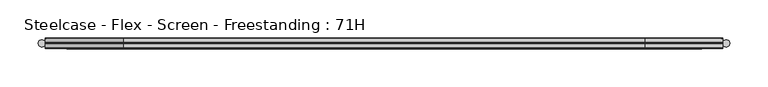
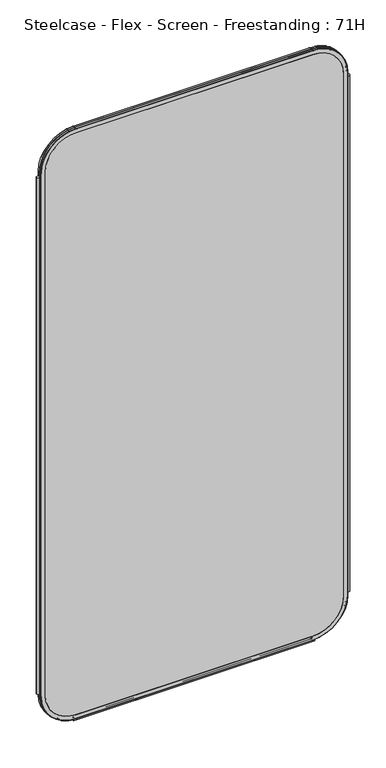
"""IFC4 building model written with IfcOpenShell, lengths in millimetres: furniture geometry, Steelcase - Flex - Screen - Freestanding : 71H."""

from ifc_helpers import new_model, si_unit, point, frame, frame_2d, origin, place, context, project, spatial, polyline, circle_curve, ellipse_curve, trimmed, segment, composite_curve, outline, extrude, source, transform, mapped, element, save
from ifc_brep_helpers import plane_surface, cylinder_surface, revolved_surface, advanced_brep


def steelcase_flex_screen_freestanding_71h_63d7caac(model_context):
    return source(origin(), model_context, "Body", "SolidModel", [
        extrude(outline(composite_curve([segment(trimmed(circle_curve(frame_2d((4.5307839, 0.0)), 4.572), [point((-0.0412161, 0.0))], [point((9.1027839, 0.0))], False, "CARTESIAN"), True, "CONTINUOUS"), segment(trimmed(circle_curve(frame_2d((4.5307839, 0.0)), 4.572), [point((9.1027839, 0.0))], [point((-0.0412161, 0.0))], False, "CARTESIAN"), True, "CONTINUOUS")], self_intersect=False)), frame((0.0, 0.0, 115.57), z_axis=(0.0, 0.0, 1.0), x_axis=(1.0, 0.0, 0.0)), (0.0, 0.0, 1.0), 1572.26),
        extrude(outline(composite_curve([segment(trimmed(circle_curve(frame_2d((898.7749587, 0.0)), 4.572), [point((894.2029587, 0.0))], [point((903.3469587, 0.0))], False, "CARTESIAN"), True, "CONTINUOUS"), segment(trimmed(circle_curve(frame_2d((898.7749587, 0.0)), 4.572), [point((903.3469587, 0.0))], [point((894.2029587, 0.0))], False, "CARTESIAN"), True, "CONTINUOUS")], self_intersect=False)), frame((0.0, 0.0, 115.57), z_axis=(0.0, 0.0, 1.0), x_axis=(1.0, 0.0, 0.0)), (0.0, 0.0, 1.0), 1572.26),
        extrude(outline(composite_curve([segment(trimmed(circle_curve(frame_2d((3.5, 2.4751953)), 2.5), [point((3.5, 4.9751953))], [point((1.4656663, 1.0220998))], False, "CARTESIAN"), True, "CONTINUOUS"), segment(trimmed(circle_curve(frame_2d((0.0, -0.0248047)), 1.8011626), [point((1.4656663, 1.0220998))], [point((-1.4656663, 1.0220998))], True, "CARTESIAN"), True, "CONTINUOUS"), segment(trimmed(circle_curve(frame_2d((-3.5, 2.4751953)), 2.5), [point((-1.4656663, 1.0220998))], [point((-3.5, 4.9751953))], False, "CARTESIAN"), True, "CONTINUOUS"), segment(trimmed(circle_curve(frame_2d((-3.5, 4.4751953)), 0.5), [point((-3.5, 4.9751953))], [point((-3.5, 3.9751953))], False, "CARTESIAN"), True, "CONTINUOUS"), segment(trimmed(circle_curve(frame_2d((-3.5, 2.4751953)), 1.5), [point((-3.5, 3.9751953))], [point((-2.3025096, 1.5718589))], True, "CARTESIAN"), True, "CONTINUOUS"), segment(trimmed(circle_curve(frame_2d((-10.3325937, 7.629417)), 10.0586411), [point((-2.3025096, 1.5718589))], [point((-0.714976, 4.6836248))], True, "CARTESIAN"), True, "CONTINUOUS"), segment(trimmed(circle_curve(frame_2d((0.0, 4.4646339)), 0.7477618), [point((-0.714976, 4.6836248))], [point((0.714976, 4.6836248))], False, "CARTESIAN"), True, "CONTINUOUS"), segment(trimmed(circle_curve(frame_2d((10.3325937, 7.629417)), 10.0586411), [point((0.714976, 4.6836248))], [point((2.3025096, 1.5718589))], True, "CARTESIAN"), True, "CONTINUOUS"), segment(trimmed(circle_curve(frame_2d((3.5, 2.4751953)), 1.5), [point((2.3025096, 1.5718589))], [point((3.5, 3.9751953))], True, "CARTESIAN"), True, "CONTINUOUS"), segment(trimmed(circle_curve(frame_2d((3.5, 4.4751953)), 0.5), [point((3.5, 3.9751953))], [point((3.5, 4.9751953))], False, "CARTESIAN"), True, "CONTINUOUS")], self_intersect=False)), frame((104.1640108, 0.0, 0.0), z_axis=(1.0, 0.0, 0.0), x_axis=(0.0, 1.0, 0.0)), (0.0, 0.0, 1.0), 694.9777209),
        advanced_brep(
        [(9.9273521, 0.0, 1701.8), (9.9273521, 0.0, 106.5996464), (110.7653521, 0.0, 5.7616464), (792.5652086, 0.0, 5.7616464), (893.4032086, 0.0, 106.5996464), (893.4032086, 0.0, 1701.8), (792.5652086, 0.0, 1802.638), (110.7653521, 0.0, 1802.638), (792.5652086, 0.0, 17.6996464), (110.7653521, 0.0, 17.6996464), (21.8653521, 0.0, 106.5996464), (21.8653521, 0.0, 1701.8), (110.7653521, 0.0, 1790.7), (792.5652086, 0.0, 1790.7), (881.4652086, 0.0, 1701.8), (881.4652086, 0.0, 106.5996464), (110.7653521, 0.762, 1803.4), (9.1653521, 0.762, 1701.8), (110.7653521, 6.096, 1803.4), (9.1653521, 6.096, 1701.8), (110.7653521, 6.858, 1802.638), (9.9273521, 6.858, 1701.8), (21.8653521, 6.858, 1701.8), (110.7653521, 6.858, 1790.7), (792.5652086, 0.762, 1803.4), (792.5652086, 6.096, 1803.4), (792.5652086, 6.858, 1802.638), (792.5652086, 6.858, 1790.7), (894.1652086, 0.762, 1701.8), (894.1652086, 6.096, 1701.8), (893.4032086, 6.858, 1701.8), (881.4652086, 6.858, 1701.8), (894.1652086, 0.762, 106.5996464), (894.1652086, 6.096, 106.5996464), (893.4032086, 6.858, 106.5996464), (881.4652086, 6.858, 106.5996464), (792.5652086, 0.762, 4.9996464), (792.5652086, 6.096, 4.9996464), (792.5652086, 6.858, 5.7616464), (792.5652086, 6.858, 17.6996464), (110.7653521, 0.762, 4.9996464), (110.7653521, 6.096, 4.9996464), (110.7653521, 6.858, 5.7616464), (110.7653521, 6.858, 17.6996464), (9.1653521, 0.762, 106.5996464), (9.1653521, 6.096, 106.5996464), (9.9273521, 6.858, 106.5996464), (21.8653521, 6.858, 106.5996464)],
        [
            (0, 1),
            (1, 2, circle_curve(frame((110.7653521, 0.0, 106.5996464), z_axis=(0.0, -1.0, 0.0), x_axis=(0.0, 0.0, -1.0)), 100.838)),
            (2, 3),
            (3, 4, circle_curve(frame((792.5652086, 0.0, 106.5996464), z_axis=(0.0, -1.0, 0.0), x_axis=(1.0, 0.0, 0.0)), 100.838)),
            (4, 5),
            (5, 6, circle_curve(frame((792.5652086, 0.0, 1701.8), z_axis=(0.0, -1.0, 0.0), x_axis=(0.0, 0.0, 1.0)), 100.838)),
            (6, 7),
            (7, 0, circle_curve(frame((110.7653521, 0.0, 1701.8), z_axis=(0.0, -1.0, 0.0), x_axis=(-1.0, 0.0, 0.0)), 100.838)),
            (8, 9),
            (9, 10, circle_curve(frame((110.7653521, 0.0, 106.5996464), z_axis=(0.0, 1.0, 0.0), x_axis=(0.0, 0.0, -1.0)), 88.9)),
            (10, 11),
            (11, 12, circle_curve(frame((110.7653521, 0.0, 1701.8), z_axis=(0.0, 1.0, 0.0), x_axis=(-1.0, 0.0, 0.0)), 88.9)),
            (12, 13),
            (13, 14, circle_curve(frame((792.5652086, 0.0, 1701.8), z_axis=(0.0, 1.0, 0.0), x_axis=(0.0, 0.0, 1.0)), 88.9)),
            (14, 15),
            (15, 8, circle_curve(frame((792.5652086, 0.0, 106.5996464), z_axis=(0.0, 1.0, 0.0), x_axis=(1.0, 0.0, 0.0)), 88.9)),
            (16, 17, circle_curve(frame((110.7653521, 0.762, 1701.8), z_axis=(0.0, -1.0, 0.0), x_axis=(-1.0, 0.0, 0.0)), 101.6)),
            (17, 0, circle_curve(frame((9.9273521, 0.762, 1701.8), z_axis=(0.0, 0.0, 1.0), x_axis=(-1.0, 0.0, 0.0)), 0.762)),
            (7, 16, circle_curve(frame((110.7653521, 0.762, 1802.638), z_axis=(-1.0, 0.0, 0.0), x_axis=(0.0, 0.0, 1.0)), 0.762)),
            (18, 19, circle_curve(frame((110.7653521, 6.096, 1701.8), z_axis=(0.0, -1.0, 0.0), x_axis=(-1.0, 0.0, 0.0)), 101.6)),
            (19, 17),
            (16, 18),
            (20, 21, circle_curve(frame((110.7653521, 6.858, 1701.8), z_axis=(0.0, -1.0, 0.0), x_axis=(-1.0, 0.0, 0.0)), 100.838)),
            (21, 19, circle_curve(frame((9.9273521, 6.096, 1701.8), z_axis=(0.0, 0.0, 1.0), x_axis=(-1.0, 0.0, 0.0)), 0.762)),
            (18, 20, circle_curve(frame((110.7653521, 6.096, 1802.638), z_axis=(-1.0, 0.0, 0.0), x_axis=(0.0, 0.0, 1.0)), 0.762)),
            (11, 22),
            (22, 23, circle_curve(frame((110.7653521, 6.858, 1701.8), z_axis=(0.0, 1.0, 0.0), x_axis=(-1.0, 0.0, 0.0)), 88.9)),
            (23, 12),
            (6, 24, circle_curve(frame((792.5652086, 0.762, 1802.638), z_axis=(-1.0, 0.0, 0.0), x_axis=(0.0, 0.0, 1.0)), 0.762)),
            (24, 16),
            (24, 25),
            (25, 18),
            (25, 26, circle_curve(frame((792.5652086, 6.096, 1802.638), z_axis=(-1.0, 0.0, 0.0), x_axis=(0.0, 0.0, 1.0)), 0.762)),
            (26, 20),
            (23, 27),
            (27, 13),
            (28, 24, circle_curve(frame((792.5652086, 0.762, 1701.8), z_axis=(0.0, -1.0, 0.0), x_axis=(0.0, 0.0, 1.0)), 101.6)),
            (5, 28, circle_curve(frame((893.4032086, 0.762, 1701.8), z_axis=(0.0, 0.0, 1.0), x_axis=(1.0, 0.0, 0.0)), 0.762)),
            (29, 25, circle_curve(frame((792.5652086, 6.096, 1701.8), z_axis=(0.0, -1.0, 0.0), x_axis=(0.0, 0.0, 1.0)), 101.6)),
            (28, 29),
            (30, 26, circle_curve(frame((792.5652086, 6.858, 1701.8), z_axis=(0.0, -1.0, 0.0), x_axis=(0.0, 0.0, 1.0)), 100.838)),
            (29, 30, circle_curve(frame((893.4032086, 6.096, 1701.8), z_axis=(0.0, 0.0, 1.0), x_axis=(1.0, 0.0, 0.0)), 0.762)),
            (27, 31, circle_curve(frame((792.5652086, 6.858, 1701.8), z_axis=(0.0, 1.0, 0.0), x_axis=(0.0, 0.0, 1.0)), 88.9)),
            (31, 14),
            (4, 32, circle_curve(frame((893.4032086, 0.762, 106.5996464), z_axis=(0.0, 0.0, 1.0), x_axis=(1.0, 0.0, 0.0)), 0.762)),
            (32, 28),
            (32, 33),
            (33, 29),
            (33, 34, circle_curve(frame((893.4032086, 6.096, 106.5996464), z_axis=(0.0, 0.0, 1.0), x_axis=(1.0, 0.0, 0.0)), 0.762)),
            (34, 30),
            (31, 35),
            (35, 15),
            (36, 32, circle_curve(frame((792.5652086, 0.762, 106.5996464), z_axis=(0.0, -1.0, 0.0), x_axis=(1.0, 0.0, 0.0)), 101.6)),
            (3, 36, circle_curve(frame((792.5652086, 0.762, 5.7616464), z_axis=(1.0, 0.0, 0.0), x_axis=(0.0, 0.0, -1.0)), 0.762)),
            (37, 33, circle_curve(frame((792.5652086, 6.096, 106.5996464), z_axis=(0.0, -1.0, 0.0), x_axis=(1.0, 0.0, 0.0)), 101.6)),
            (36, 37),
            (38, 34, circle_curve(frame((792.5652086, 6.858, 106.5996464), z_axis=(0.0, -1.0, 0.0), x_axis=(1.0, 0.0, 0.0)), 100.838)),
            (37, 38, circle_curve(frame((792.5652086, 6.096, 5.7616464), z_axis=(1.0, 0.0, 0.0), x_axis=(0.0, 0.0, -1.0)), 0.762)),
            (35, 39, circle_curve(frame((792.5652086, 6.858, 106.5996464), z_axis=(0.0, 1.0, 0.0), x_axis=(1.0, 0.0, 0.0)), 88.9)),
            (39, 8),
            (2, 40, circle_curve(frame((110.7653521, 0.762, 5.7616464), z_axis=(1.0, 0.0, 0.0), x_axis=(0.0, 0.0, -1.0)), 0.762)),
            (40, 36),
            (40, 41),
            (41, 37),
            (41, 42, circle_curve(frame((110.7653521, 6.096, 5.7616464), z_axis=(1.0, 0.0, 0.0), x_axis=(0.0, 0.0, -1.0)), 0.762)),
            (42, 38),
            (39, 43),
            (43, 9),
            (44, 40, circle_curve(frame((110.7653521, 0.762, 106.5996464), z_axis=(0.0, -1.0, 0.0), x_axis=(0.0, 0.0, -1.0)), 101.6)),
            (1, 44, circle_curve(frame((9.9273521, 0.762, 106.5996464), z_axis=(0.0, 0.0, -1.0), x_axis=(-1.0, 0.0, 0.0)), 0.762)),
            (45, 41, circle_curve(frame((110.7653521, 6.096, 106.5996464), z_axis=(0.0, -1.0, 0.0), x_axis=(0.0, 0.0, -1.0)), 101.6)),
            (44, 45),
            (46, 42, circle_curve(frame((110.7653521, 6.858, 106.5996464), z_axis=(0.0, -1.0, 0.0), x_axis=(0.0, 0.0, -1.0)), 100.838)),
            (45, 46, circle_curve(frame((9.9273521, 6.096, 106.5996464), z_axis=(0.0, 0.0, -1.0), x_axis=(-1.0, 0.0, 0.0)), 0.762)),
            (43, 47, circle_curve(frame((110.7653521, 6.858, 106.5996464), z_axis=(0.0, 1.0, 0.0), x_axis=(0.0, 0.0, -1.0)), 88.9)),
            (47, 10),
            (17, 44),
            (19, 45),
            (21, 46),
            (22, 47),
        ],
        [
            plane_surface(frame((21.8653521, 0.0, 106.5996464), z_axis=(0.0, -1.0, 0.0), x_axis=(0.0, 0.0, 1.0))),
            revolved_surface(trimmed(ellipse_curve(frame((9.9273521, 0.762, 1701.8), z_axis=(0.0, 0.0, -1.0), x_axis=(-1.0, 0.0, 0.0)), 0.762, 0.762), [point((9.9273521, 0.0, 1701.8))], [point((9.1653521, 0.762, 1701.8))], True, "CARTESIAN"), (110.7653521, 0.0, 1701.8), (0.0, 1.0, 0.0)),
            cylinder_surface(frame((110.7653521, 0.0, 1701.8), z_axis=(0.0, 1.0, 0.0), x_axis=(-1.0, 0.0, 0.0)), 101.6),
            revolved_surface(trimmed(ellipse_curve(frame((9.9273521, 6.096, 1701.8), z_axis=(0.0, 0.0, -1.0), x_axis=(-1.0, 0.0, 0.0)), 0.762, 0.762), [point((9.1653521, 6.096, 1701.8))], [point((9.9273521, 6.858, 1701.8))], True, "CARTESIAN"), (110.7653521, 0.0, 1701.8), (0.0, 1.0, 0.0)),
            revolved_surface(polyline([(21.865352099999996, 6.858, 1701.8), (21.865352099999996, 0.0, 1701.8)]), (110.7653521, 0.0, 1701.8), (0.0, 1.0, 0.0)),
            cylinder_surface(frame((110.7653521, 0.762, 1802.638), z_axis=(-1.0, 0.0, 0.0), x_axis=(0.0, 0.0, 1.0)), 0.762),
            plane_surface(frame((110.7653521, 0.762, 1803.4), z_axis=(0.0, 0.0, 1.0), x_axis=(1.0, 0.0, 0.0))),
            cylinder_surface(frame((110.7653521, 6.096, 1802.638), z_axis=(-1.0, 0.0, 0.0), x_axis=(0.0, 0.0, 1.0)), 0.762),
            plane_surface(frame((110.7653521, 6.858, 1790.7), z_axis=(0.0, 0.0, -1.0), x_axis=(1.0, 0.0, 0.0))),
            revolved_surface(trimmed(ellipse_curve(frame((792.5652086, 0.762, 1802.638), z_axis=(-1.0, 0.0, 0.0), x_axis=(0.0, 0.0, 1.0)), 0.762, 0.762), [point((792.5652086, 0.0, 1802.638))], [point((792.5652086, 0.762, 1803.4))], True, "CARTESIAN"), (792.5652086, 0.0, 1701.8), (0.0, 1.0, 0.0)),
            cylinder_surface(frame((792.5652086, 0.0, 1701.8), z_axis=(0.0, 1.0, 0.0), x_axis=(0.0, 0.0, 1.0)), 101.6),
            revolved_surface(trimmed(ellipse_curve(frame((792.5652086, 6.096, 1802.638), z_axis=(-1.0, 0.0, 0.0), x_axis=(0.0, 0.0, 1.0)), 0.762, 0.762), [point((792.5652086, 6.096, 1803.4))], [point((792.5652086, 6.858, 1802.638))], True, "CARTESIAN"), (792.5652086, 0.0, 1701.8), (0.0, 1.0, 0.0)),
            revolved_surface(polyline([(792.5652086, 6.858, 1790.7), (792.5652086, 0.0, 1790.7)]), (792.5652086, 0.0, 1701.8), (0.0, 1.0, 0.0)),
            cylinder_surface(frame((893.4032086, 0.762, 1701.8), z_axis=(0.0, 0.0, 1.0), x_axis=(1.0, 0.0, 0.0)), 0.762),
            plane_surface(frame((894.1652086, 0.762, 1701.8), z_axis=(1.0, 0.0, 0.0), x_axis=(0.0, 0.0, -1.0))),
            cylinder_surface(frame((893.4032086, 6.096, 1701.8), z_axis=(0.0, 0.0, 1.0), x_axis=(1.0, 0.0, 0.0)), 0.762),
            plane_surface(frame((881.4652086, 6.858, 1701.8), z_axis=(-1.0, 0.0, 0.0), x_axis=(0.0, 0.0, -1.0))),
            revolved_surface(trimmed(ellipse_curve(frame((893.4032086, 0.762, 106.5996464), z_axis=(0.0, 0.0, 1.0), x_axis=(1.0, 0.0, 0.0)), 0.762, 0.762), [point((893.4032086, 0.0, 106.5996464))], [point((894.1652086, 0.762, 106.5996464))], True, "CARTESIAN"), (792.5652086, 0.0, 106.5996464), (0.0, 1.0, 0.0)),
            cylinder_surface(frame((792.5652086, 0.0, 106.5996464), z_axis=(0.0, 1.0, 0.0), x_axis=(1.0, 0.0, 0.0)), 101.6),
            revolved_surface(trimmed(ellipse_curve(frame((893.4032086, 6.096, 106.5996464), z_axis=(0.0, 0.0, 1.0), x_axis=(1.0, 0.0, 0.0)), 0.762, 0.762), [point((894.1652086, 6.096, 106.5996464))], [point((893.4032086, 6.858, 106.5996464))], True, "CARTESIAN"), (792.5652086, 0.0, 106.5996464), (0.0, 1.0, 0.0)),
            revolved_surface(polyline([(881.4652086, 6.858, 106.5996464), (881.4652086, 0.0, 106.5996464)]), (792.5652086, 0.0, 106.5996464), (0.0, 1.0, 0.0)),
            cylinder_surface(frame((792.5652086, 0.762, 5.7616464), z_axis=(1.0, 0.0, 0.0), x_axis=(0.0, 0.0, -1.0)), 0.762),
            plane_surface(frame((792.5652086, 0.762, 4.9996464), z_axis=(0.0, 0.0, -1.0), x_axis=(-1.0, 0.0, 0.0))),
            cylinder_surface(frame((792.5652086, 6.096, 5.7616464), z_axis=(1.0, 0.0, 0.0), x_axis=(0.0, 0.0, -1.0)), 0.762),
            plane_surface(frame((792.5652086, 6.858, 17.6996464), z_axis=(0.0, 0.0, 1.0), x_axis=(-1.0, 0.0, 0.0))),
            revolved_surface(trimmed(ellipse_curve(frame((110.7653521, 0.762, 5.7616464), z_axis=(1.0, 0.0, 0.0), x_axis=(0.0, 0.0, -1.0)), 0.762, 0.762), [point((110.7653521, 0.0, 5.7616464))], [point((110.7653521, 0.762, 4.9996464))], True, "CARTESIAN"), (110.7653521, 0.0, 106.5996464), (0.0, 1.0, 0.0)),
            cylinder_surface(frame((110.7653521, 0.0, 106.5996464), z_axis=(0.0, 1.0, 0.0), x_axis=(0.0, 0.0, -1.0)), 101.6),
            revolved_surface(trimmed(ellipse_curve(frame((110.7653521, 6.096, 5.7616464), z_axis=(1.0, 0.0, 0.0), x_axis=(0.0, 0.0, -1.0)), 0.762, 0.762), [point((110.7653521, 6.096, 4.9996464))], [point((110.7653521, 6.858, 5.7616464))], True, "CARTESIAN"), (110.7653521, 0.0, 106.5996464), (0.0, 1.0, 0.0)),
            revolved_surface(polyline([(110.7653521, 6.858, 17.699646399999992), (110.7653521, 0.0, 17.699646399999992)]), (110.7653521, 0.0, 106.5996464), (0.0, 1.0, 0.0)),
            cylinder_surface(frame((9.9273521, 0.762, 106.5996464), z_axis=(0.0, 0.0, -1.0), x_axis=(-1.0, 0.0, 0.0)), 0.762),
            plane_surface(frame((9.1653521, 0.762, 106.5996464), z_axis=(-1.0, 0.0, 0.0), x_axis=(0.0, 0.0, 1.0))),
            cylinder_surface(frame((9.9273521, 6.096, 106.5996464), z_axis=(0.0, 0.0, -1.0), x_axis=(-1.0, 0.0, 0.0)), 0.762),
            plane_surface(frame((9.9273521, 6.858, 106.5996464), z_axis=(0.0, 1.0, 0.0), x_axis=(0.0, 0.0, 1.0))),
            plane_surface(frame((21.8653521, 6.858, 106.5996464), z_axis=(1.0, 0.0, 0.0), x_axis=(0.0, 0.0, 1.0))),
        ],
        [
            (0, [[1, 2, 3, 4, 5, 6, 7, 8], [9, 10, 11, 12, 13, 14, 15, 16]]),
            (1, [[17, 18, -8, 19]]),
            (2, [[20, 21, -17, 22]]),
            (3, [[23, 24, -20, 25]]),
            (4, [[-12, 26, 27, 28]]),
            (5, [[-19, -7, 29, 30]]),
            (6, [[-22, -30, 31, 32]]),
            (7, [[-25, -32, 33, 34]]),
            (8, [[-28, 35, 36, -13]]),
            (9, [[37, -29, -6, 38]]),
            (10, [[39, -31, -37, 40]]),
            (11, [[41, -33, -39, 42]]),
            (12, [[-14, -36, 43, 44]]),
            (13, [[-38, -5, 45, 46]]),
            (14, [[-40, -46, 47, 48]]),
            (15, [[-42, -48, 49, 50]]),
            (16, [[-44, 51, 52, -15]]),
            (17, [[53, -45, -4, 54]]),
            (18, [[55, -47, -53, 56]]),
            (19, [[57, -49, -55, 58]]),
            (20, [[-16, -52, 59, 60]]),
            (21, [[-54, -3, 61, 62]]),
            (22, [[-56, -62, 63, 64]]),
            (23, [[-58, -64, 65, 66]]),
            (24, [[-60, 67, 68, -9]]),
            (25, [[69, -61, -2, 70]]),
            (26, [[71, -63, -69, 72]]),
            (27, [[73, -65, -71, 74]]),
            (28, [[-10, -68, 75, 76]]),
            (29, [[-70, -1, -18, 77]]),
            (30, [[-72, -77, -21, 78]]),
            (31, [[-74, -78, -24, 79]]),
            (32, [[-66, -73, -79, -23, -34, -41, -50, -57], [80, -75, -67, -59, -51, -43, -35, -27]]),
            (33, [[-76, -80, -26, -11]]),
        ],
    ),
        extrude(outline(composite_curve([segment(polyline([(1790.7, 792.5652086), (1790.7, 110.7653521)]), True, "CONTINUOUS"), segment(trimmed(circle_curve(frame_2d((1701.8, 110.7653521)), 88.9), [point((1790.7, 110.7653521))], [point((1701.8, 21.8653521))], False, "CARTESIAN"), True, "CONTINUOUS"), segment(polyline([(1701.8, 21.8653521), (106.5996464, 21.8653521)]), True, "CONTINUOUS"), segment(trimmed(circle_curve(frame_2d((106.5996464, 110.7653521)), 88.9), [point((106.5996464, 21.8653521))], [point((17.6996464, 110.7653521))], False, "CARTESIAN"), True, "CONTINUOUS"), segment(polyline([(17.6996464, 110.7653521), (17.6996464, 792.5652086)]), True, "CONTINUOUS"), segment(trimmed(circle_curve(frame_2d((106.5996464, 792.5652086)), 88.9), [point((17.6996464, 792.5652086))], [point((106.5996464, 881.4652086))], False, "CARTESIAN"), True, "CONTINUOUS"), segment(polyline([(106.5996464, 881.4652086), (1701.8, 881.4652086)]), True, "CONTINUOUS"), segment(trimmed(circle_curve(frame_2d((1701.8, 792.5652086)), 88.9), [point((1701.8, 881.4652086))], [point((1790.7, 792.5652086))], False, "CARTESIAN"), True, "CONTINUOUS")], self_intersect=False)), frame((0.0, 0.0, 0.0), z_axis=(0.0, 1.0, 0.0), x_axis=(0.0, 0.0, 1.0)), (0.0, 0.0, 1.0), 6.858),
        advanced_brep(
        [(110.7653521, -6.858, 1790.7), (21.8653521, -6.858, 1701.8), (21.8653521, 0.0, 1701.8), (110.7653521, 0.0, 1790.7), (110.7653521, -6.096, 1803.4), (9.1653521, -6.096, 1701.8), (9.9273521, -6.858, 1701.8), (110.7653521, -6.858, 1802.638), (110.7653521, -0.762, 1803.4), (9.1653521, -0.762, 1701.8), (110.7653521, 0.0, 1802.638), (9.9273521, 0.0, 1701.8), (792.5652086, 0.0, 1790.7), (792.5652086, -6.858, 1790.7), (792.5652086, -6.858, 1802.638), (792.5652086, -6.096, 1803.4), (792.5652086, -0.762, 1803.4), (792.5652086, 0.0, 1802.638), (881.4652086, -6.858, 1701.8), (881.4652086, 0.0, 1701.8), (894.1652086, -6.096, 1701.8), (893.4032086, -6.858, 1701.8), (894.1652086, -0.762, 1701.8), (893.4032086, 0.0, 1701.8), (881.4652086, 0.0, 106.5996464), (881.4652086, -6.858, 106.5996464), (893.4032086, -6.858, 106.5996464), (894.1652086, -6.096, 106.5996464), (894.1652086, -0.762, 106.5996464), (893.4032086, 0.0, 106.5996464), (792.5652086, -6.858, 17.6996464), (792.5652086, 0.0, 17.6996464), (792.5652086, -6.096, 4.9996464), (792.5652086, -6.858, 5.7616464), (792.5652086, -0.762, 4.9996464), (792.5652086, 0.0, 5.7616464), (110.7653521, 0.0, 17.6996464), (110.7653521, -6.858, 17.6996464), (110.7653521, -6.858, 5.7616464), (110.7653521, -6.096, 4.9996464), (110.7653521, -0.762, 4.9996464), (110.7653521, 0.0, 5.7616464), (21.8653521, -6.858, 106.5996464), (21.8653521, 0.0, 106.5996464), (9.1653521, -6.096, 106.5996464), (9.9273521, -6.858, 106.5996464), (9.1653521, -0.762, 106.5996464), (9.9273521, 0.0, 106.5996464)],
        [
            (0, 1, circle_curve(frame((110.7653521, -6.858, 1701.8), z_axis=(0.0, -1.0, 0.0), x_axis=(-1.0, 0.0, 0.0)), 88.9)),
            (1, 2),
            (2, 3, circle_curve(frame((110.7653521, 0.0, 1701.8), z_axis=(0.0, 1.0, 0.0), x_axis=(-1.0, 0.0, 0.0)), 88.9)),
            (3, 0),
            (4, 5, circle_curve(frame((110.7653521, -6.096, 1701.8), z_axis=(0.0, -1.0, 0.0), x_axis=(-1.0, 0.0, 0.0)), 101.6)),
            (5, 6, circle_curve(frame((9.9273521, -6.096, 1701.8), z_axis=(0.0, 0.0, 1.0), x_axis=(-1.0, 0.0, 0.0)), 0.762)),
            (6, 7, circle_curve(frame((110.7653521, -6.858, 1701.8), z_axis=(0.0, 1.0, 0.0), x_axis=(-1.0, 0.0, 0.0)), 100.838)),
            (7, 4, circle_curve(frame((110.7653521, -6.096, 1802.638), z_axis=(-1.0, 0.0, 0.0), x_axis=(0.0, 0.0, 1.0)), 0.762)),
            (8, 9, circle_curve(frame((110.7653521, -0.762, 1701.8), z_axis=(0.0, -1.0, 0.0), x_axis=(-1.0, 0.0, 0.0)), 101.6)),
            (9, 5),
            (4, 8),
            (10, 11, circle_curve(frame((110.7653521, 0.0, 1701.8), z_axis=(0.0, -1.0, 0.0), x_axis=(-1.0, 0.0, 0.0)), 100.838)),
            (11, 9, circle_curve(frame((9.9273521, -0.762, 1701.8), z_axis=(0.0, 0.0, 1.0), x_axis=(-1.0, 0.0, 0.0)), 0.762)),
            (8, 10, circle_curve(frame((110.7653521, -0.762, 1802.638), z_axis=(-1.0, 0.0, 0.0), x_axis=(0.0, 0.0, 1.0)), 0.762)),
            (3, 12),
            (12, 13),
            (13, 0),
            (7, 14),
            (14, 15, circle_curve(frame((792.5652086, -6.096, 1802.638), z_axis=(-1.0, 0.0, 0.0), x_axis=(0.0, 0.0, 1.0)), 0.762)),
            (15, 4),
            (15, 16),
            (16, 8),
            (16, 17, circle_curve(frame((792.5652086, -0.762, 1802.638), z_axis=(-1.0, 0.0, 0.0), x_axis=(0.0, 0.0, 1.0)), 0.762)),
            (17, 10),
            (18, 13, circle_curve(frame((792.5652086, -6.858, 1701.8), z_axis=(0.0, -1.0, 0.0), x_axis=(0.0, 0.0, 1.0)), 88.9)),
            (12, 19, circle_curve(frame((792.5652086, 0.0, 1701.8), z_axis=(0.0, 1.0, 0.0), x_axis=(0.0, 0.0, 1.0)), 88.9)),
            (19, 18),
            (20, 15, circle_curve(frame((792.5652086, -6.096, 1701.8), z_axis=(0.0, -1.0, 0.0), x_axis=(0.0, 0.0, 1.0)), 101.6)),
            (14, 21, circle_curve(frame((792.5652086, -6.858, 1701.8), z_axis=(0.0, 1.0, 0.0), x_axis=(0.0, 0.0, 1.0)), 100.838)),
            (21, 20, circle_curve(frame((893.4032086, -6.096, 1701.8), z_axis=(0.0, 0.0, 1.0), x_axis=(1.0, 0.0, 0.0)), 0.762)),
            (22, 16, circle_curve(frame((792.5652086, -0.762, 1701.8), z_axis=(0.0, -1.0, 0.0), x_axis=(0.0, 0.0, 1.0)), 101.6)),
            (20, 22),
            (23, 17, circle_curve(frame((792.5652086, 0.0, 1701.8), z_axis=(0.0, -1.0, 0.0), x_axis=(0.0, 0.0, 1.0)), 100.838)),
            (22, 23, circle_curve(frame((893.4032086, -0.762, 1701.8), z_axis=(0.0, 0.0, 1.0), x_axis=(1.0, 0.0, 0.0)), 0.762)),
            (19, 24),
            (24, 25),
            (25, 18),
            (21, 26),
            (26, 27, circle_curve(frame((893.4032086, -6.096, 106.5996464), z_axis=(0.0, 0.0, 1.0), x_axis=(1.0, 0.0, 0.0)), 0.762)),
            (27, 20),
            (27, 28),
            (28, 22),
            (28, 29, circle_curve(frame((893.4032086, -0.762, 106.5996464), z_axis=(0.0, 0.0, 1.0), x_axis=(1.0, 0.0, 0.0)), 0.762)),
            (29, 23),
            (30, 25, circle_curve(frame((792.5652086, -6.858, 106.5996464), z_axis=(0.0, -1.0, 0.0), x_axis=(1.0, 0.0, 0.0)), 88.9)),
            (24, 31, circle_curve(frame((792.5652086, 0.0, 106.5996464), z_axis=(0.0, 1.0, 0.0), x_axis=(1.0, 0.0, 0.0)), 88.9)),
            (31, 30),
            (32, 27, circle_curve(frame((792.5652086, -6.096, 106.5996464), z_axis=(0.0, -1.0, 0.0), x_axis=(1.0, 0.0, 0.0)), 101.6)),
            (26, 33, circle_curve(frame((792.5652086, -6.858, 106.5996464), z_axis=(0.0, 1.0, 0.0), x_axis=(1.0, 0.0, 0.0)), 100.838)),
            (33, 32, circle_curve(frame((792.5652086, -6.096, 5.7616464), z_axis=(1.0, 0.0, 0.0), x_axis=(0.0, 0.0, -1.0)), 0.762)),
            (34, 28, circle_curve(frame((792.5652086, -0.762, 106.5996464), z_axis=(0.0, -1.0, 0.0), x_axis=(1.0, 0.0, 0.0)), 101.6)),
            (32, 34),
            (35, 29, circle_curve(frame((792.5652086, 0.0, 106.5996464), z_axis=(0.0, -1.0, 0.0), x_axis=(1.0, 0.0, 0.0)), 100.838)),
            (34, 35, circle_curve(frame((792.5652086, -0.762, 5.7616464), z_axis=(1.0, 0.0, 0.0), x_axis=(0.0, 0.0, -1.0)), 0.762)),
            (31, 36),
            (36, 37),
            (37, 30),
            (33, 38),
            (38, 39, circle_curve(frame((110.7653521, -6.096, 5.7616464), z_axis=(1.0, 0.0, 0.0), x_axis=(0.0, 0.0, -1.0)), 0.762)),
            (39, 32),
            (39, 40),
            (40, 34),
            (40, 41, circle_curve(frame((110.7653521, -0.762, 5.7616464), z_axis=(1.0, 0.0, 0.0), x_axis=(0.0, 0.0, -1.0)), 0.762)),
            (41, 35),
            (42, 37, circle_curve(frame((110.7653521, -6.858, 106.5996464), z_axis=(0.0, -1.0, 0.0), x_axis=(0.0, 0.0, -1.0)), 88.9)),
            (36, 43, circle_curve(frame((110.7653521, 0.0, 106.5996464), z_axis=(0.0, 1.0, 0.0), x_axis=(0.0, 0.0, -1.0)), 88.9)),
            (43, 42),
            (44, 39, circle_curve(frame((110.7653521, -6.096, 106.5996464), z_axis=(0.0, -1.0, 0.0), x_axis=(0.0, 0.0, -1.0)), 101.6)),
            (38, 45, circle_curve(frame((110.7653521, -6.858, 106.5996464), z_axis=(0.0, 1.0, 0.0), x_axis=(0.0, 0.0, -1.0)), 100.838)),
            (45, 44, circle_curve(frame((9.9273521, -6.096, 106.5996464), z_axis=(0.0, 0.0, -1.0), x_axis=(-1.0, 0.0, 0.0)), 0.762)),
            (46, 40, circle_curve(frame((110.7653521, -0.762, 106.5996464), z_axis=(0.0, -1.0, 0.0), x_axis=(0.0, 0.0, -1.0)), 101.6)),
            (44, 46),
            (47, 41, circle_curve(frame((110.7653521, 0.0, 106.5996464), z_axis=(0.0, -1.0, 0.0), x_axis=(0.0, 0.0, -1.0)), 100.838)),
            (46, 47, circle_curve(frame((9.9273521, -0.762, 106.5996464), z_axis=(0.0, 0.0, -1.0), x_axis=(-1.0, 0.0, 0.0)), 0.762)),
            (43, 2),
            (1, 42),
            (6, 45),
            (5, 44),
            (9, 46),
            (11, 47),
        ],
        [
            revolved_surface(polyline([(21.865352099999996, 0.0, 1701.8), (21.865352099999996, -6.858, 1701.8)]), (110.7653521, 0.0, 1701.8), (0.0, 1.0, 0.0)),
            revolved_surface(trimmed(ellipse_curve(frame((9.9273521, -6.096, 1701.8), z_axis=(0.0, 0.0, -1.0), x_axis=(-1.0, 0.0, 0.0)), 0.762, 0.762), [point((9.9273521, -6.858, 1701.8))], [point((9.1653521, -6.096, 1701.8))], True, "CARTESIAN"), (110.7653521, 0.0, 1701.8), (0.0, 1.0, 0.0)),
            cylinder_surface(frame((110.7653521, 0.0, 1701.8), z_axis=(0.0, 1.0, 0.0), x_axis=(-1.0, 0.0, 0.0)), 101.6),
            revolved_surface(trimmed(ellipse_curve(frame((9.9273521, -0.762, 1701.8), z_axis=(0.0, 0.0, -1.0), x_axis=(-1.0, 0.0, 0.0)), 0.762, 0.762), [point((9.1653521, -0.762, 1701.8))], [point((9.9273521, 0.0, 1701.8))], True, "CARTESIAN"), (110.7653521, 0.0, 1701.8), (0.0, 1.0, 0.0)),
            plane_surface(frame((110.7653521, 0.0, 1790.7), z_axis=(0.0, 0.0, -1.0), x_axis=(1.0, 0.0, 0.0))),
            cylinder_surface(frame((110.7653521, -6.096, 1802.638), z_axis=(-1.0, 0.0, 0.0), x_axis=(0.0, 0.0, 1.0)), 0.762),
            plane_surface(frame((110.7653521, -6.096, 1803.4), z_axis=(0.0, 0.0, 1.0), x_axis=(1.0, 0.0, 0.0))),
            cylinder_surface(frame((110.7653521, -0.762, 1802.638), z_axis=(-1.0, 0.0, 0.0), x_axis=(0.0, 0.0, 1.0)), 0.762),
            revolved_surface(polyline([(792.5652086, 0.0, 1790.7), (792.5652086, -6.858, 1790.7)]), (792.5652086, 0.0, 1701.8), (0.0, 1.0, 0.0)),
            revolved_surface(trimmed(ellipse_curve(frame((792.5652086, -6.096, 1802.638), z_axis=(-1.0, 0.0, 0.0), x_axis=(0.0, 0.0, 1.0)), 0.762, 0.762), [point((792.5652086, -6.858, 1802.638))], [point((792.5652086, -6.096, 1803.4))], True, "CARTESIAN"), (792.5652086, 0.0, 1701.8), (0.0, 1.0, 0.0)),
            cylinder_surface(frame((792.5652086, 0.0, 1701.8), z_axis=(0.0, 1.0, 0.0), x_axis=(0.0, 0.0, 1.0)), 101.6),
            revolved_surface(trimmed(ellipse_curve(frame((792.5652086, -0.762, 1802.638), z_axis=(-1.0, 0.0, 0.0), x_axis=(0.0, 0.0, 1.0)), 0.762, 0.762), [point((792.5652086, -0.762, 1803.4))], [point((792.5652086, 0.0, 1802.638))], True, "CARTESIAN"), (792.5652086, 0.0, 1701.8), (0.0, 1.0, 0.0)),
            plane_surface(frame((881.4652086, 0.0, 1701.8), z_axis=(-1.0, 0.0, 0.0), x_axis=(0.0, 0.0, -1.0))),
            cylinder_surface(frame((893.4032086, -6.096, 1701.8), z_axis=(0.0, 0.0, 1.0), x_axis=(1.0, 0.0, 0.0)), 0.762),
            plane_surface(frame((894.1652086, -6.096, 1701.8), z_axis=(1.0, 0.0, 0.0), x_axis=(0.0, 0.0, -1.0))),
            cylinder_surface(frame((893.4032086, -0.762, 1701.8), z_axis=(0.0, 0.0, 1.0), x_axis=(1.0, 0.0, 0.0)), 0.762),
            revolved_surface(polyline([(881.4652086, 0.0, 106.5996464), (881.4652086, -6.858, 106.5996464)]), (792.5652086, 0.0, 106.5996464), (0.0, 1.0, 0.0)),
            revolved_surface(trimmed(ellipse_curve(frame((893.4032086, -6.096, 106.5996464), z_axis=(0.0, 0.0, 1.0), x_axis=(1.0, 0.0, 0.0)), 0.762, 0.762), [point((893.4032086, -6.858, 106.5996464))], [point((894.1652086, -6.096, 106.5996464))], True, "CARTESIAN"), (792.5652086, 0.0, 106.5996464), (0.0, 1.0, 0.0)),
            cylinder_surface(frame((792.5652086, 0.0, 106.5996464), z_axis=(0.0, 1.0, 0.0), x_axis=(1.0, 0.0, 0.0)), 101.6),
            revolved_surface(trimmed(ellipse_curve(frame((893.4032086, -0.762, 106.5996464), z_axis=(0.0, 0.0, 1.0), x_axis=(1.0, 0.0, 0.0)), 0.762, 0.762), [point((894.1652086, -0.762, 106.5996464))], [point((893.4032086, 0.0, 106.5996464))], True, "CARTESIAN"), (792.5652086, 0.0, 106.5996464), (0.0, 1.0, 0.0)),
            plane_surface(frame((792.5652086, 0.0, 17.6996464), z_axis=(0.0, 0.0, 1.0), x_axis=(-1.0, 0.0, 0.0))),
            cylinder_surface(frame((792.5652086, -6.096, 5.7616464), z_axis=(1.0, 0.0, 0.0), x_axis=(0.0, 0.0, -1.0)), 0.762),
            plane_surface(frame((792.5652086, -6.096, 4.9996464), z_axis=(0.0, 0.0, -1.0), x_axis=(-1.0, 0.0, 0.0))),
            cylinder_surface(frame((792.5652086, -0.762, 5.7616464), z_axis=(1.0, 0.0, 0.0), x_axis=(0.0, 0.0, -1.0)), 0.762),
            revolved_surface(polyline([(110.7653521, 0.0, 17.699646399999992), (110.7653521, -6.858, 17.699646399999992)]), (110.7653521, 0.0, 106.5996464), (0.0, 1.0, 0.0)),
            revolved_surface(trimmed(ellipse_curve(frame((110.7653521, -6.096, 5.7616464), z_axis=(1.0, 0.0, 0.0), x_axis=(0.0, 0.0, -1.0)), 0.762, 0.762), [point((110.7653521, -6.858, 5.7616464))], [point((110.7653521, -6.096, 4.9996464))], True, "CARTESIAN"), (110.7653521, 0.0, 106.5996464), (0.0, 1.0, 0.0)),
            cylinder_surface(frame((110.7653521, 0.0, 106.5996464), z_axis=(0.0, 1.0, 0.0), x_axis=(0.0, 0.0, -1.0)), 101.6),
            revolved_surface(trimmed(ellipse_curve(frame((110.7653521, -0.762, 5.7616464), z_axis=(1.0, 0.0, 0.0), x_axis=(0.0, 0.0, -1.0)), 0.762, 0.762), [point((110.7653521, -0.762, 4.9996464))], [point((110.7653521, 0.0, 5.7616464))], True, "CARTESIAN"), (110.7653521, 0.0, 106.5996464), (0.0, 1.0, 0.0)),
            plane_surface(frame((21.8653521, 0.0, 106.5996464), z_axis=(1.0, 0.0, 0.0), x_axis=(0.0, 0.0, 1.0))),
            plane_surface(frame((21.8653521, -6.858, 106.5996464), z_axis=(0.0, -1.0, 0.0), x_axis=(0.0, 0.0, 1.0))),
            cylinder_surface(frame((9.9273521, -6.096, 106.5996464), z_axis=(0.0, 0.0, -1.0), x_axis=(-1.0, 0.0, 0.0)), 0.762),
            plane_surface(frame((9.1653521, -6.096, 106.5996464), z_axis=(-1.0, 0.0, 0.0), x_axis=(0.0, 0.0, 1.0))),
            cylinder_surface(frame((9.9273521, -0.762, 106.5996464), z_axis=(0.0, 0.0, -1.0), x_axis=(-1.0, 0.0, 0.0)), 0.762),
            plane_surface(frame((9.9273521, 0.0, 106.5996464), z_axis=(0.0, 1.0, 0.0), x_axis=(0.0, 0.0, 1.0))),
        ],
        [
            (0, [[1, 2, 3, 4]]),
            (1, [[5, 6, 7, 8]]),
            (2, [[9, 10, -5, 11]]),
            (3, [[12, 13, -9, 14]]),
            (4, [[-4, 15, 16, 17]]),
            (5, [[-8, 18, 19, 20]]),
            (6, [[-11, -20, 21, 22]]),
            (7, [[-14, -22, 23, 24]]),
            (8, [[25, -16, 26, 27]]),
            (9, [[28, -19, 29, 30]]),
            (10, [[31, -21, -28, 32]]),
            (11, [[33, -23, -31, 34]]),
            (12, [[-27, 35, 36, 37]]),
            (13, [[-30, 38, 39, 40]]),
            (14, [[-32, -40, 41, 42]]),
            (15, [[-34, -42, 43, 44]]),
            (16, [[45, -36, 46, 47]]),
            (17, [[48, -39, 49, 50]]),
            (18, [[51, -41, -48, 52]]),
            (19, [[53, -43, -51, 54]]),
            (20, [[-47, 55, 56, 57]]),
            (21, [[-50, 58, 59, 60]]),
            (22, [[-52, -60, 61, 62]]),
            (23, [[-54, -62, 63, 64]]),
            (24, [[65, -56, 66, 67]]),
            (25, [[68, -59, 69, 70]]),
            (26, [[71, -61, -68, 72]]),
            (27, [[73, -63, -71, 74]]),
            (28, [[-67, 75, -2, 76]]),
            (29, [[77, -69, -58, -49, -38, -29, -18, -7], [-57, -65, -76, -1, -17, -25, -37, -45]]),
            (30, [[-70, -77, -6, 78]]),
            (31, [[-72, -78, -10, 79]]),
            (32, [[-74, -79, -13, 80]]),
            (33, [[-64, -73, -80, -12, -24, -33, -44, -53], [-75, -66, -55, -46, -35, -26, -15, -3]]),
        ],
    ),
        extrude(outline(composite_curve([segment(polyline([(1790.7, 792.5652086), (1790.7, 110.7653521)]), True, "CONTINUOUS"), segment(trimmed(circle_curve(frame_2d((1701.8, 110.7653521)), 88.9), [point((1790.7, 110.7653521))], [point((1701.8, 21.8653521))], False, "CARTESIAN"), True, "CONTINUOUS"), segment(polyline([(1701.8, 21.8653521), (106.5996464, 21.8653521)]), True, "CONTINUOUS"), segment(trimmed(circle_curve(frame_2d((106.5996464, 110.7653521)), 88.9), [point((106.5996464, 21.8653521))], [point((17.6996464, 110.7653521))], False, "CARTESIAN"), True, "CONTINUOUS"), segment(polyline([(17.6996464, 110.7653521), (17.6996464, 792.5652086)]), True, "CONTINUOUS"), segment(trimmed(circle_curve(frame_2d((106.5996464, 792.5652086)), 88.9), [point((17.6996464, 792.5652086))], [point((106.5996464, 881.4652086))], False, "CARTESIAN"), True, "CONTINUOUS"), segment(polyline([(106.5996464, 881.4652086), (1701.8, 881.4652086)]), True, "CONTINUOUS"), segment(trimmed(circle_curve(frame_2d((1701.8, 792.5652086)), 88.9), [point((1701.8, 881.4652086))], [point((1790.7, 792.5652086))], False, "CARTESIAN"), True, "CONTINUOUS")], self_intersect=False)), frame((0.0, -6.858, 0.0), z_axis=(0.0, 1.0, 0.0), x_axis=(0.0, 0.0, 1.0)), (0.0, 0.0, 1.0), 6.858),
    ])


if __name__ == "__main__":
    model = new_model("IFC4")
    model_context = context("Model", 3, world=origin())
    ifc_project = project(units=[si_unit("LENGTHUNIT", "METRE", prefix="MILLI")], contexts=[model_context])
    site = spatial("IfcSite", under=ifc_project)
    building = spatial("IfcBuilding", under=site)
    placement = place(None, origin())
    steelcase_flex_screen_freestanding_71h_shape = steelcase_flex_screen_freestanding_71h_63d7caac(model_context)
    element("IfcFurniture", 1, ObjectType="Steelcase - Flex - Screen - Freestanding : 71H", at=placement, inside=building, context=model_context, shape_type="MappedRepresentation", body=[
        mapped(steelcase_flex_screen_freestanding_71h_shape, transform((0.0, 0.0, 0.0), x_axis=(1.0, 0.0, 0.0), y_axis=(0.0, 1.0, 0.0), z_axis=(0.0, 0.0, 1.0))),
    ])
    save(model, "model.ifc")
